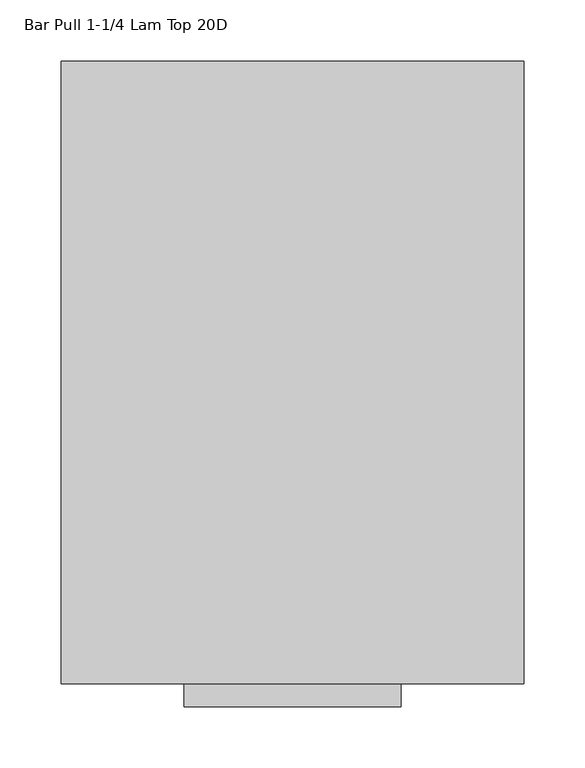
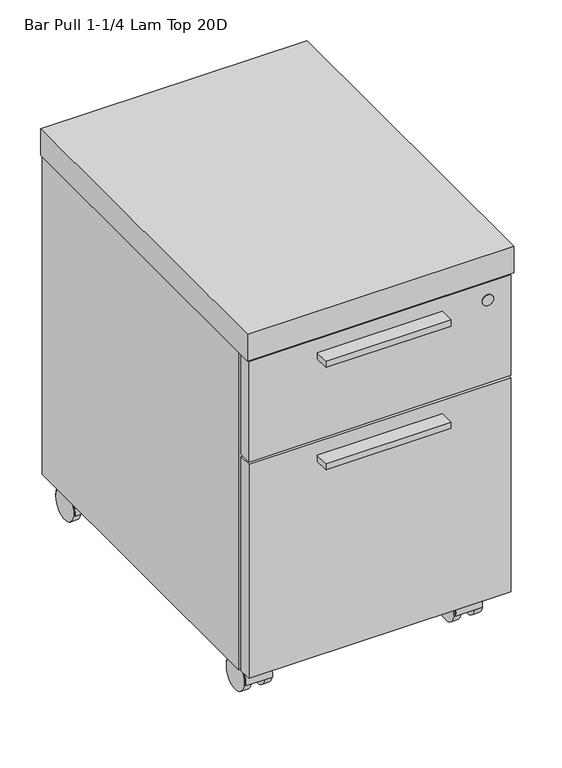
"""IFC4 building model written with IfcOpenShell, lengths in millimetres: furniture geometry, Bar Pull 1-1/4 Lam Top 20D."""

from ifc_helpers import new_model, si_unit, point, frame, frame_2d, origin, place, context, project, spatial, polyline, circle_curve, trimmed, segment, composite_curve, outline, extrude, source, transform, mapped, element, save
from ifc_brep_helpers import plane_surface, revolved_surface, advanced_brep


def bar_pull_1_1_4_lam_top_20d_5b42565c(model_context):
    return source(origin(), model_context, "Body", "SolidModel", [
        extrude(outline(composite_curve([segment(trimmed(circle_curve(frame_2d((38.552757, -443.2433984)), 2.8952236), [point((35.6575335, -443.2433984))], [point((41.4479806, -443.2433984))], False, "CARTESIAN"), True, "CONTINUOUS"), segment(trimmed(circle_curve(frame_2d((38.552757, -443.2433984)), 2.8952236), [point((41.4479806, -443.2433984))], [point((35.6575335, -443.2433984))], False, "CARTESIAN"), True, "CONTINUOUS")], self_intersect=False)), frame((0.0, 0.0, 47.4178766), z_axis=(0.0, 0.0, 1.0), x_axis=(1.0, 0.0, 0.0)), (0.0, 0.0, 1.0), 2.54),
        extrude(outline(composite_curve([segment(trimmed(circle_curve(frame_2d((38.552757, -443.5086607)), 7.4123574), [point((31.1403996, -443.5086607))], [point((45.9651144, -443.5086607))], False, "CARTESIAN"), True, "CONTINUOUS"), segment(trimmed(circle_curve(frame_2d((38.552757, -443.5086607)), 7.4123574), [point((45.9651144, -443.5086607))], [point((31.1403996, -443.5086607))], False, "CARTESIAN"), True, "CONTINUOUS")], self_intersect=False)), frame((0.0, 0.0, 49.9578766), z_axis=(0.0, 0.0, 1.0), x_axis=(1.0, 0.0, 0.0)), (0.0, 0.0, 1.0), 4.7226624),
        advanced_brep(
        [(30.3783996, -443.5086607, 54.680539), (46.7271144, -443.5086607, 54.680539), (25.852757, -443.5086607, 57.5818), (51.252757, -443.5086607, 57.5818)],
        [
            (0, 1, circle_curve(frame((38.552757, -443.5086607, 54.680539), z_axis=(0.0, 0.0, -1.0), x_axis=(-1.0, 0.0, 0.0)), 8.1743574)),
            (1, 0, circle_curve(frame((38.552757, -443.5086607, 54.680539), z_axis=(0.0, 0.0, -1.0), x_axis=(1.0, 0.0, 0.0)), 8.1743574)),
            (2, 3, circle_curve(frame((38.552757, -443.5086607, 57.5818), z_axis=(0.0, 0.0, 1.0), x_axis=(1.0, 0.0, 0.0)), 12.7)),
            (3, 2, circle_curve(frame((38.552757, -443.5086607, 57.5818), z_axis=(0.0, 0.0, 1.0), x_axis=(-1.0, 0.0, 0.0)), 12.7)),
            (2, 0),
            (1, 3),
        ],
        [
            plane_surface(frame((38.552757, -443.5086607, 54.680539), z_axis=(0.0, 0.0, -1.0), x_axis=(0.0, -1.0, 0.0))),
            plane_surface(frame((38.552757, -443.5086607, 57.5818), z_axis=(0.0, 0.0, 1.0), x_axis=(0.0, -1.0, 0.0))),
            revolved_surface(polyline([(46.72711441053413, -443.5086607, 54.680539), (51.252757, -443.5086607, 57.5818)]), (38.552757, -443.5086607, 49.4401905), (0.0, 0.0, 1.0)),
            revolved_surface(polyline([(30.378399589465875, -443.5086607, 54.680539), (25.852757, -443.5086607, 57.5818)]), (38.552757, -443.5086607, 49.4401905), (0.0, 0.0, 1.0)),
        ],
        [
            (0, [[1, 2]]),
            (1, [[3, 4]]),
            (2, [[-3, 5, -2, 6]]),
            (3, [[-4, -6, -1, -5]]),
        ],
    ),
        extrude(outline(composite_curve([segment(trimmed(circle_curve(frame_2d((38.552757, -443.2781099)), 6.0714648), [point((32.4812922, -443.2781099))], [point((44.6242219, -443.2781099))], False, "CARTESIAN"), True, "CONTINUOUS"), segment(trimmed(circle_curve(frame_2d((38.552757, -443.2781099)), 6.0714648), [point((44.6242219, -443.2781099))], [point((32.4812922, -443.2781099))], False, "CARTESIAN"), True, "CONTINUOUS")], self_intersect=False)), frame((0.0, 0.0, 31.6701308), z_axis=(0.0, 0.0, 1.0), x_axis=(1.0, 0.0, 0.0)), (0.0, 0.0, 1.0), 15.7477457),
        extrude(outline(composite_curve([segment(polyline([(-401.009387, 18.6856043), (-402.0037644, 18.6856043)]), True, "CONTINUOUS"), segment(trimmed(circle_curve(frame_2d((-424.6129713, 22.0624907)), 22.86), [point((-402.0037644, 18.6856043))], [point((-447.2221782, 18.6856043))], True, "CARTESIAN"), True, "CONTINUOUS"), segment(polyline([(-447.2221782, 18.6856043), (-448.2152732, 18.6856043)]), True, "CONTINUOUS"), segment(trimmed(circle_curve(frame_2d((-424.6123301, 22.0624907)), 23.8432859), [point((-448.2152732, 18.6856043))], [point((-401.009387, 18.6856043))], False, "CARTESIAN"), True, "CONTINUOUS")], self_intersect=False)), frame((19.558, 0.0, 0.0), z_axis=(1.0, 0.0, 0.0), x_axis=(0.0, 1.0, 0.0)), (0.0, 0.0, 1.0), 37.9984),
        extrude(outline(composite_curve([segment(trimmed(circle_curve(frame_2d((-424.6129713, 21.9964)), 21.9964), [point((-402.6165713, 21.9964))], [point((-446.6093713, 21.9964))], False, "CARTESIAN"), True, "CONTINUOUS"), segment(trimmed(circle_curve(frame_2d((-424.6129713, 21.9964)), 21.9964), [point((-446.6093713, 21.9964))], [point((-402.6165713, 21.9964))], False, "CARTESIAN"), True, "CONTINUOUS")], self_intersect=False)), frame((18.448657, 0.0, 0.0), z_axis=(1.0, 0.0, 0.0), x_axis=(0.0, 1.0, 0.0)), (0.0, 0.0, 1.0), 10.16),
        extrude(outline(composite_curve([segment(trimmed(circle_curve(frame_2d((-424.6129713, 21.9964)), 21.9964), [point((-402.6165713, 21.9964))], [point((-446.6093713, 21.9964))], False, "CARTESIAN"), True, "CONTINUOUS"), segment(trimmed(circle_curve(frame_2d((-424.6129713, 21.9964)), 21.9964), [point((-446.6093713, 21.9964))], [point((-402.6165713, 21.9964))], False, "CARTESIAN"), True, "CONTINUOUS")], self_intersect=False)), frame((48.496857, 0.0, 0.0), z_axis=(1.0, 0.0, 0.0), x_axis=(0.0, 1.0, 0.0)), (0.0, 0.0, 1.0), 10.16),
        extrude(outline(composite_curve([segment(trimmed(circle_curve(frame_2d((52.5526, -429.6167713)), 5.0038), [point((52.5526, -424.6129713))], [point((57.5564, -429.6167713))], False, "CARTESIAN"), True, "CONTINUOUS"), segment(polyline([(57.5564, -429.6167713), (57.5564, -457.6075713)]), True, "CONTINUOUS"), segment(trimmed(circle_curve(frame_2d((52.5526, -457.6075713)), 5.0038), [point((57.5564, -457.6075713))], [point((52.5526, -462.6113713))], False, "CARTESIAN"), True, "CONTINUOUS"), segment(polyline([(52.5526, -462.6113713), (24.5618, -462.6113713)]), True, "CONTINUOUS"), segment(trimmed(circle_curve(frame_2d((24.5618, -457.6075713)), 5.0038), [point((24.5618, -462.6113713))], [point((19.558, -457.6075713))], False, "CARTESIAN"), True, "CONTINUOUS"), segment(polyline([(19.558, -457.6075713), (19.558, -429.6167713)]), True, "CONTINUOUS"), segment(trimmed(circle_curve(frame_2d((24.5618, -429.6167713)), 5.0038), [point((19.558, -429.6167713))], [point((24.5618, -424.6129713))], False, "CARTESIAN"), True, "CONTINUOUS"), segment(polyline([(24.5618, -424.6129713), (52.5526, -424.6129713)]), True, "CONTINUOUS")], self_intersect=False)), frame((0.0, 0.0, 57.5818), z_axis=(0.0, 0.0, 1.0), x_axis=(1.0, 0.0, 0.0)), (0.0, 0.0, 1.0), 2.0066),
        extrude(outline(composite_curve([segment(trimmed(circle_curve(frame_2d((337.358357, -443.2433984)), 2.8952236), [point((334.4631335, -443.2433984))], [point((340.2535806, -443.2433984))], False, "CARTESIAN"), True, "CONTINUOUS"), segment(trimmed(circle_curve(frame_2d((337.358357, -443.2433984)), 2.8952236), [point((340.2535806, -443.2433984))], [point((334.4631335, -443.2433984))], False, "CARTESIAN"), True, "CONTINUOUS")], self_intersect=False)), frame((0.0, 0.0, 47.4178766), z_axis=(0.0, 0.0, 1.0), x_axis=(1.0, 0.0, 0.0)), (0.0, 0.0, 1.0), 2.54),
        extrude(outline(composite_curve([segment(trimmed(circle_curve(frame_2d((337.358357, -443.5086607)), 7.4123574), [point((329.9459996, -443.5086607))], [point((344.7707144, -443.5086607))], False, "CARTESIAN"), True, "CONTINUOUS"), segment(trimmed(circle_curve(frame_2d((337.358357, -443.5086607)), 7.4123574), [point((344.7707144, -443.5086607))], [point((329.9459996, -443.5086607))], False, "CARTESIAN"), True, "CONTINUOUS")], self_intersect=False)), frame((0.0, 0.0, 49.9578766), z_axis=(0.0, 0.0, 1.0), x_axis=(1.0, 0.0, 0.0)), (0.0, 0.0, 1.0), 4.7226624),
        advanced_brep(
        [(329.1839996, -443.5086607, 54.680539), (345.5327144, -443.5086607, 54.680539), (324.658357, -443.5086607, 57.5818), (350.058357, -443.5086607, 57.5818)],
        [
            (0, 1, circle_curve(frame((337.358357, -443.5086607, 54.680539), z_axis=(0.0, 0.0, -1.0), x_axis=(-1.0, 0.0, 0.0)), 8.1743574)),
            (1, 0, circle_curve(frame((337.358357, -443.5086607, 54.680539), z_axis=(0.0, 0.0, -1.0), x_axis=(1.0, 0.0, 0.0)), 8.1743574)),
            (2, 3, circle_curve(frame((337.358357, -443.5086607, 57.5818), z_axis=(0.0, 0.0, 1.0), x_axis=(1.0, 0.0, 0.0)), 12.7)),
            (3, 2, circle_curve(frame((337.358357, -443.5086607, 57.5818), z_axis=(0.0, 0.0, 1.0), x_axis=(-1.0, 0.0, 0.0)), 12.7)),
            (2, 0),
            (1, 3),
        ],
        [
            plane_surface(frame((337.358357, -443.5086607, 54.680539), z_axis=(0.0, 0.0, -1.0), x_axis=(0.0, -1.0, 0.0))),
            plane_surface(frame((337.358357, -443.5086607, 57.5818), z_axis=(0.0, 0.0, 1.0), x_axis=(0.0, -1.0, 0.0))),
            revolved_surface(polyline([(345.53271441053414, -443.5086607, 54.680539), (350.058357, -443.5086607, 57.5818)]), (337.358357, -443.5086607, 49.4401905), (0.0, 0.0, 1.0)),
            revolved_surface(polyline([(329.1839995894659, -443.5086607, 54.680539), (324.658357, -443.5086607, 57.5818)]), (337.358357, -443.5086607, 49.4401905), (0.0, 0.0, 1.0)),
        ],
        [
            (0, [[1, 2]]),
            (1, [[3, 4]]),
            (2, [[-3, 5, -2, 6]]),
            (3, [[-4, -6, -1, -5]]),
        ],
    ),
        extrude(outline(composite_curve([segment(trimmed(circle_curve(frame_2d((337.358357, -443.2781099)), 6.0714648), [point((331.2868922, -443.2781099))], [point((343.4298219, -443.2781099))], False, "CARTESIAN"), True, "CONTINUOUS"), segment(trimmed(circle_curve(frame_2d((337.358357, -443.2781099)), 6.0714648), [point((343.4298219, -443.2781099))], [point((331.2868922, -443.2781099))], False, "CARTESIAN"), True, "CONTINUOUS")], self_intersect=False)), frame((0.0, 0.0, 31.6701308), z_axis=(0.0, 0.0, 1.0), x_axis=(1.0, 0.0, 0.0)), (0.0, 0.0, 1.0), 15.7477457),
        extrude(outline(composite_curve([segment(polyline([(-401.009387, 18.6856043), (-402.0037644, 18.6856043)]), True, "CONTINUOUS"), segment(trimmed(circle_curve(frame_2d((-424.6129713, 22.0624907)), 22.86), [point((-402.0037644, 18.6856043))], [point((-447.2221782, 18.6856043))], True, "CARTESIAN"), True, "CONTINUOUS"), segment(polyline([(-447.2221782, 18.6856043), (-448.2152732, 18.6856043)]), True, "CONTINUOUS"), segment(trimmed(circle_curve(frame_2d((-424.6123301, 22.0624907)), 23.8432859), [point((-448.2152732, 18.6856043))], [point((-401.009387, 18.6856043))], False, "CARTESIAN"), True, "CONTINUOUS")], self_intersect=False)), frame((318.3636, 0.0, 0.0), z_axis=(1.0, 0.0, 0.0), x_axis=(0.0, 1.0, 0.0)), (0.0, 0.0, 1.0), 37.9984),
        extrude(outline(composite_curve([segment(trimmed(circle_curve(frame_2d((-424.6129713, 21.9964)), 21.9964), [point((-402.6165713, 21.9964))], [point((-446.6093713, 21.9964))], False, "CARTESIAN"), True, "CONTINUOUS"), segment(trimmed(circle_curve(frame_2d((-424.6129713, 21.9964)), 21.9964), [point((-446.6093713, 21.9964))], [point((-402.6165713, 21.9964))], False, "CARTESIAN"), True, "CONTINUOUS")], self_intersect=False)), frame((317.254257, 0.0, 0.0), z_axis=(1.0, 0.0, 0.0), x_axis=(0.0, 1.0, 0.0)), (0.0, 0.0, 1.0), 10.16),
        extrude(outline(composite_curve([segment(trimmed(circle_curve(frame_2d((-424.6129713, 21.9964)), 21.9964), [point((-402.6165713, 21.9964))], [point((-446.6093713, 21.9964))], False, "CARTESIAN"), True, "CONTINUOUS"), segment(trimmed(circle_curve(frame_2d((-424.6129713, 21.9964)), 21.9964), [point((-446.6093713, 21.9964))], [point((-402.6165713, 21.9964))], False, "CARTESIAN"), True, "CONTINUOUS")], self_intersect=False)), frame((347.302457, 0.0, 0.0), z_axis=(1.0, 0.0, 0.0), x_axis=(0.0, 1.0, 0.0)), (0.0, 0.0, 1.0), 10.16),
        extrude(outline(composite_curve([segment(trimmed(circle_curve(frame_2d((351.3582, -429.6167713)), 5.0038), [point((351.3582, -424.6129713))], [point((356.362, -429.6167713))], False, "CARTESIAN"), True, "CONTINUOUS"), segment(polyline([(356.362, -429.6167713), (356.362, -457.6075713)]), True, "CONTINUOUS"), segment(trimmed(circle_curve(frame_2d((351.3582, -457.6075713)), 5.0038), [point((356.362, -457.6075713))], [point((351.3582, -462.6113713))], False, "CARTESIAN"), True, "CONTINUOUS"), segment(polyline([(351.3582, -462.6113713), (323.3674, -462.6113713)]), True, "CONTINUOUS"), segment(trimmed(circle_curve(frame_2d((323.3674, -457.6075713)), 5.0038), [point((323.3674, -462.6113713))], [point((318.3636, -457.6075713))], False, "CARTESIAN"), True, "CONTINUOUS"), segment(polyline([(318.3636, -457.6075713), (318.3636, -429.6167713)]), True, "CONTINUOUS"), segment(trimmed(circle_curve(frame_2d((323.3674, -429.6167713)), 5.0038), [point((318.3636, -429.6167713))], [point((323.3674, -424.6129713))], False, "CARTESIAN"), True, "CONTINUOUS"), segment(polyline([(323.3674, -424.6129713), (351.3582, -424.6129713)]), True, "CONTINUOUS")], self_intersect=False)), frame((0.0, 0.0, 57.5818), z_axis=(0.0, 0.0, 1.0), x_axis=(1.0, 0.0, 0.0)), (0.0, 0.0, 1.0), 2.0066),
        extrude(outline(composite_curve([segment(trimmed(circle_curve(frame_2d((337.358357, -23.0257984)), 2.8952236), [point((334.4631335, -23.0257984))], [point((340.2535806, -23.0257984))], False, "CARTESIAN"), True, "CONTINUOUS"), segment(trimmed(circle_curve(frame_2d((337.358357, -23.0257984)), 2.8952236), [point((340.2535806, -23.0257984))], [point((334.4631335, -23.0257984))], False, "CARTESIAN"), True, "CONTINUOUS")], self_intersect=False)), frame((0.0, 0.0, 47.4178766), z_axis=(0.0, 0.0, 1.0), x_axis=(1.0, 0.0, 0.0)), (0.0, 0.0, 1.0), 2.54),
        extrude(outline(composite_curve([segment(trimmed(circle_curve(frame_2d((337.358357, -23.2910607)), 7.4123574), [point((329.9459996, -23.2910607))], [point((344.7707144, -23.2910607))], False, "CARTESIAN"), True, "CONTINUOUS"), segment(trimmed(circle_curve(frame_2d((337.358357, -23.2910607)), 7.4123574), [point((344.7707144, -23.2910607))], [point((329.9459996, -23.2910607))], False, "CARTESIAN"), True, "CONTINUOUS")], self_intersect=False)), frame((0.0, 0.0, 49.9578766), z_axis=(0.0, 0.0, 1.0), x_axis=(1.0, 0.0, 0.0)), (0.0, 0.0, 1.0), 4.7226624),
        advanced_brep(
        [(329.1839996, -23.2910607, 54.680539), (345.5327144, -23.2910607, 54.680539), (324.658357, -23.2910607, 57.5818), (350.058357, -23.2910607, 57.5818)],
        [
            (0, 1, circle_curve(frame((337.358357, -23.2910607, 54.680539), z_axis=(0.0, 0.0, -1.0), x_axis=(-1.0, 0.0, 0.0)), 8.1743574)),
            (1, 0, circle_curve(frame((337.358357, -23.2910607, 54.680539), z_axis=(0.0, 0.0, -1.0), x_axis=(1.0, 0.0, 0.0)), 8.1743574)),
            (2, 3, circle_curve(frame((337.358357, -23.2910607, 57.5818), z_axis=(0.0, 0.0, 1.0), x_axis=(1.0, 0.0, 0.0)), 12.7)),
            (3, 2, circle_curve(frame((337.358357, -23.2910607, 57.5818), z_axis=(0.0, 0.0, 1.0), x_axis=(-1.0, 0.0, 0.0)), 12.7)),
            (2, 0),
            (1, 3),
        ],
        [
            plane_surface(frame((337.358357, -23.2910607, 54.680539), z_axis=(0.0, 0.0, -1.0), x_axis=(0.0, -1.0, 0.0))),
            plane_surface(frame((337.358357, -23.2910607, 57.5818), z_axis=(0.0, 0.0, 1.0), x_axis=(0.0, -1.0, 0.0))),
            revolved_surface(polyline([(345.53271441053414, -23.2910607, 54.680539), (350.058357, -23.2910607, 57.5818)]), (337.358357, -23.2910607, 49.4401905), (0.0, 0.0, 1.0)),
            revolved_surface(polyline([(329.1839995894659, -23.2910607, 54.680539), (324.658357, -23.2910607, 57.5818)]), (337.358357, -23.2910607, 49.4401905), (0.0, 0.0, 1.0)),
        ],
        [
            (0, [[1, 2]]),
            (1, [[3, 4]]),
            (2, [[-3, 5, -2, 6]]),
            (3, [[-4, -6, -1, -5]]),
        ],
    ),
        extrude(outline(composite_curve([segment(trimmed(circle_curve(frame_2d((337.358357, -23.0605099)), 6.0714648), [point((331.2868922, -23.0605099))], [point((343.4298219, -23.0605099))], False, "CARTESIAN"), True, "CONTINUOUS"), segment(trimmed(circle_curve(frame_2d((337.358357, -23.0605099)), 6.0714648), [point((343.4298219, -23.0605099))], [point((331.2868922, -23.0605099))], False, "CARTESIAN"), True, "CONTINUOUS")], self_intersect=False)), frame((0.0, 0.0, 31.6701308), z_axis=(0.0, 0.0, 1.0), x_axis=(1.0, 0.0, 0.0)), (0.0, 0.0, 1.0), 15.7477457),
        extrude(outline(composite_curve([segment(polyline([(19.208213, 18.6856043), (18.2138356, 18.6856043)]), True, "CONTINUOUS"), segment(trimmed(circle_curve(frame_2d((-4.3953713, 22.0624907)), 22.86), [point((18.2138356, 18.6856043))], [point((-27.0045782, 18.6856043))], True, "CARTESIAN"), True, "CONTINUOUS"), segment(polyline([(-27.0045782, 18.6856043), (-27.9976732, 18.6856043)]), True, "CONTINUOUS"), segment(trimmed(circle_curve(frame_2d((-4.3947301, 22.0624907)), 23.8432859), [point((-27.9976732, 18.6856043))], [point((19.208213, 18.6856043))], False, "CARTESIAN"), True, "CONTINUOUS")], self_intersect=False)), frame((318.3636, 0.0, 0.0), z_axis=(1.0, 0.0, 0.0), x_axis=(0.0, 1.0, 0.0)), (0.0, 0.0, 1.0), 37.9984),
        extrude(outline(composite_curve([segment(trimmed(circle_curve(frame_2d((-4.3953713, 21.9964)), 21.9964), [point((17.6010287, 21.9964))], [point((-26.3917713, 21.9964))], False, "CARTESIAN"), True, "CONTINUOUS"), segment(trimmed(circle_curve(frame_2d((-4.3953713, 21.9964)), 21.9964), [point((-26.3917713, 21.9964))], [point((17.6010287, 21.9964))], False, "CARTESIAN"), True, "CONTINUOUS")], self_intersect=False)), frame((317.254257, 0.0, 0.0), z_axis=(1.0, 0.0, 0.0), x_axis=(0.0, 1.0, 0.0)), (0.0, 0.0, 1.0), 10.16),
        extrude(outline(composite_curve([segment(trimmed(circle_curve(frame_2d((-4.3953713, 21.9964)), 21.9964), [point((17.6010287, 21.9964))], [point((-26.3917713, 21.9964))], False, "CARTESIAN"), True, "CONTINUOUS"), segment(trimmed(circle_curve(frame_2d((-4.3953713, 21.9964)), 21.9964), [point((-26.3917713, 21.9964))], [point((17.6010287, 21.9964))], False, "CARTESIAN"), True, "CONTINUOUS")], self_intersect=False)), frame((347.302457, 0.0, 0.0), z_axis=(1.0, 0.0, 0.0), x_axis=(0.0, 1.0, 0.0)), (0.0, 0.0, 1.0), 10.16),
        extrude(outline(composite_curve([segment(trimmed(circle_curve(frame_2d((351.3582, -9.3991713)), 5.0038), [point((351.3582, -4.3953713))], [point((356.362, -9.3991713))], False, "CARTESIAN"), True, "CONTINUOUS"), segment(polyline([(356.362, -9.3991713), (356.362, -37.3899713)]), True, "CONTINUOUS"), segment(trimmed(circle_curve(frame_2d((351.3582, -37.3899713)), 5.0038), [point((356.362, -37.3899713))], [point((351.3582, -42.3937713))], False, "CARTESIAN"), True, "CONTINUOUS"), segment(polyline([(351.3582, -42.3937713), (323.3674, -42.3937713)]), True, "CONTINUOUS"), segment(trimmed(circle_curve(frame_2d((323.3674, -37.3899713)), 5.0038), [point((323.3674, -42.3937713))], [point((318.3636, -37.3899713))], False, "CARTESIAN"), True, "CONTINUOUS"), segment(polyline([(318.3636, -37.3899713), (318.3636, -9.3991713)]), True, "CONTINUOUS"), segment(trimmed(circle_curve(frame_2d((323.3674, -9.3991713)), 5.0038), [point((318.3636, -9.3991713))], [point((323.3674, -4.3953713))], False, "CARTESIAN"), True, "CONTINUOUS"), segment(polyline([(323.3674, -4.3953713), (351.3582, -4.3953713)]), True, "CONTINUOUS")], self_intersect=False)), frame((0.0, 0.0, 57.5818), z_axis=(0.0, 0.0, 1.0), x_axis=(1.0, 0.0, 0.0)), (0.0, 0.0, 1.0), 2.0066),
        extrude(outline(composite_curve([segment(trimmed(circle_curve(frame_2d((38.552757, -23.0257984)), 2.8952236), [point((35.6575335, -23.0257984))], [point((41.4479806, -23.0257984))], False, "CARTESIAN"), True, "CONTINUOUS"), segment(trimmed(circle_curve(frame_2d((38.552757, -23.0257984)), 2.8952236), [point((41.4479806, -23.0257984))], [point((35.6575335, -23.0257984))], False, "CARTESIAN"), True, "CONTINUOUS")], self_intersect=False)), frame((0.0, 0.0, 47.4178766), z_axis=(0.0, 0.0, 1.0), x_axis=(1.0, 0.0, 0.0)), (0.0, 0.0, 1.0), 2.54),
        extrude(outline(composite_curve([segment(trimmed(circle_curve(frame_2d((38.552757, -23.2910607)), 7.4123574), [point((31.1403996, -23.2910607))], [point((45.9651144, -23.2910607))], False, "CARTESIAN"), True, "CONTINUOUS"), segment(trimmed(circle_curve(frame_2d((38.552757, -23.2910607)), 7.4123574), [point((45.9651144, -23.2910607))], [point((31.1403996, -23.2910607))], False, "CARTESIAN"), True, "CONTINUOUS")], self_intersect=False)), frame((0.0, 0.0, 49.9578766), z_axis=(0.0, 0.0, 1.0), x_axis=(1.0, 0.0, 0.0)), (0.0, 0.0, 1.0), 4.7226624),
        advanced_brep(
        [(30.3783996, -23.2910607, 54.680539), (46.7271144, -23.2910607, 54.680539), (25.852757, -23.2910607, 57.5818), (51.252757, -23.2910607, 57.5818)],
        [
            (0, 1, circle_curve(frame((38.552757, -23.2910607, 54.680539), z_axis=(0.0, 0.0, -1.0), x_axis=(-1.0, 0.0, 0.0)), 8.1743574)),
            (1, 0, circle_curve(frame((38.552757, -23.2910607, 54.680539), z_axis=(0.0, 0.0, -1.0), x_axis=(1.0, 0.0, 0.0)), 8.1743574)),
            (2, 3, circle_curve(frame((38.552757, -23.2910607, 57.5818), z_axis=(0.0, 0.0, 1.0), x_axis=(1.0, 0.0, 0.0)), 12.7)),
            (3, 2, circle_curve(frame((38.552757, -23.2910607, 57.5818), z_axis=(0.0, 0.0, 1.0), x_axis=(-1.0, 0.0, 0.0)), 12.7)),
            (2, 0),
            (1, 3),
        ],
        [
            plane_surface(frame((38.552757, -23.2910607, 54.680539), z_axis=(0.0, 0.0, -1.0), x_axis=(0.0, -1.0, 0.0))),
            plane_surface(frame((38.552757, -23.2910607, 57.5818), z_axis=(0.0, 0.0, 1.0), x_axis=(0.0, -1.0, 0.0))),
            revolved_surface(polyline([(46.72711441053413, -23.2910607, 54.680539), (51.252757, -23.2910607, 57.5818)]), (38.552757, -23.2910607, 49.4401905), (0.0, 0.0, 1.0)),
            revolved_surface(polyline([(30.378399589465875, -23.2910607, 54.680539), (25.852757, -23.2910607, 57.5818)]), (38.552757, -23.2910607, 49.4401905), (0.0, 0.0, 1.0)),
        ],
        [
            (0, [[1, 2]]),
            (1, [[3, 4]]),
            (2, [[-3, 5, -2, 6]]),
            (3, [[-4, -6, -1, -5]]),
        ],
    ),
        extrude(outline(composite_curve([segment(trimmed(circle_curve(frame_2d((38.552757, -23.0605099)), 6.0714648), [point((32.4812922, -23.0605099))], [point((44.6242219, -23.0605099))], False, "CARTESIAN"), True, "CONTINUOUS"), segment(trimmed(circle_curve(frame_2d((38.552757, -23.0605099)), 6.0714648), [point((44.6242219, -23.0605099))], [point((32.4812922, -23.0605099))], False, "CARTESIAN"), True, "CONTINUOUS")], self_intersect=False)), frame((0.0, 0.0, 31.6701308), z_axis=(0.0, 0.0, 1.0), x_axis=(1.0, 0.0, 0.0)), (0.0, 0.0, 1.0), 15.7477457),
        extrude(outline(composite_curve([segment(polyline([(19.208213, 18.6856043), (18.2138356, 18.6856043)]), True, "CONTINUOUS"), segment(trimmed(circle_curve(frame_2d((-4.3953713, 22.0624907)), 22.86), [point((18.2138356, 18.6856043))], [point((-27.0045782, 18.6856043))], True, "CARTESIAN"), True, "CONTINUOUS"), segment(polyline([(-27.0045782, 18.6856043), (-27.9976732, 18.6856043)]), True, "CONTINUOUS"), segment(trimmed(circle_curve(frame_2d((-4.3947301, 22.0624907)), 23.8432859), [point((-27.9976732, 18.6856043))], [point((19.208213, 18.6856043))], False, "CARTESIAN"), True, "CONTINUOUS")], self_intersect=False)), frame((19.558, 0.0, 0.0), z_axis=(1.0, 0.0, 0.0), x_axis=(0.0, 1.0, 0.0)), (0.0, 0.0, 1.0), 37.9984),
        extrude(outline(composite_curve([segment(trimmed(circle_curve(frame_2d((-4.3953713, 21.9964)), 21.9964), [point((17.6010287, 21.9964))], [point((-26.3917713, 21.9964))], False, "CARTESIAN"), True, "CONTINUOUS"), segment(trimmed(circle_curve(frame_2d((-4.3953713, 21.9964)), 21.9964), [point((-26.3917713, 21.9964))], [point((17.6010287, 21.9964))], False, "CARTESIAN"), True, "CONTINUOUS")], self_intersect=False)), frame((18.448657, 0.0, 0.0), z_axis=(1.0, 0.0, 0.0), x_axis=(0.0, 1.0, 0.0)), (0.0, 0.0, 1.0), 10.16),
        extrude(outline(composite_curve([segment(trimmed(circle_curve(frame_2d((-4.3953713, 21.9964)), 21.9964), [point((17.6010287, 21.9964))], [point((-26.3917713, 21.9964))], False, "CARTESIAN"), True, "CONTINUOUS"), segment(trimmed(circle_curve(frame_2d((-4.3953713, 21.9964)), 21.9964), [point((-26.3917713, 21.9964))], [point((17.6010287, 21.9964))], False, "CARTESIAN"), True, "CONTINUOUS")], self_intersect=False)), frame((48.496857, 0.0, 0.0), z_axis=(1.0, 0.0, 0.0), x_axis=(0.0, 1.0, 0.0)), (0.0, 0.0, 1.0), 10.16),
        extrude(outline(composite_curve([segment(trimmed(circle_curve(frame_2d((52.5526, -9.3991713)), 5.0038), [point((52.5526, -4.3953713))], [point((57.5564, -9.3991713))], False, "CARTESIAN"), True, "CONTINUOUS"), segment(polyline([(57.5564, -9.3991713), (57.5564, -37.3899713)]), True, "CONTINUOUS"), segment(trimmed(circle_curve(frame_2d((52.5526, -37.3899713)), 5.0038), [point((57.5564, -37.3899713))], [point((52.5526, -42.3937713))], False, "CARTESIAN"), True, "CONTINUOUS"), segment(polyline([(52.5526, -42.3937713), (24.5618, -42.3937713)]), True, "CONTINUOUS"), segment(trimmed(circle_curve(frame_2d((24.5618, -37.3899713)), 5.0038), [point((24.5618, -42.3937713))], [point((19.558, -37.3899713))], False, "CARTESIAN"), True, "CONTINUOUS"), segment(polyline([(19.558, -37.3899713), (19.558, -9.3991713)]), True, "CONTINUOUS"), segment(trimmed(circle_curve(frame_2d((24.5618, -9.3991713)), 5.0038), [point((19.558, -9.3991713))], [point((24.5618, -4.3953713))], False, "CARTESIAN"), True, "CONTINUOUS"), segment(polyline([(24.5618, -4.3953713), (52.5526, -4.3953713)]), True, "CONTINUOUS")], self_intersect=False)), frame((0.0, 0.0, 57.5818), z_axis=(0.0, 0.0, 1.0), x_axis=(1.0, 0.0, 0.0)), (0.0, 0.0, 1.0), 2.0066),
        extrude(outline(polyline([(276.8600024, -485.8523708), (276.8600024, -508.0773577), (99.0599994, -508.0773577), (99.0599994, -485.8523708), (276.8600024, -485.8523708)])), frame((0.0, 0.0, 351.8916144), z_axis=(0.0, 0.0, 1.0), x_axis=(1.0, 0.0, 0.0)), (0.0, 0.0, 1.0), 9.525),
        extrude(outline(polyline([(276.8600024, -485.8523708), (276.8600024, -508.0773577), (99.0599994, -508.0773577), (99.0599994, -485.8523708), (276.8600024, -485.8523708)])), frame((0.0, 0.0, 505.8791144), z_axis=(0.0, 0.0, 1.0), x_axis=(1.0, 0.0, 0.0)), (0.0, 0.0, 1.0), 9.525),
        extrude(outline(polyline([(374.3325, -468.1993713), (374.3325, -487.5033713), (1.5875, -487.5033713), (1.5875, -468.1993713), (374.3325, -468.1993713)])), frame((0.0, 0.0, 60.0202), z_axis=(0.0, 0.0, 1.0), x_axis=(1.0, 0.0, 0.0)), (0.0, 0.0, 1.0), 321.818),
        extrude(outline(polyline([(374.3325, -487.5033713), (1.5875, -487.5033713), (1.5875, -468.1993713), (374.3325, -468.1993713), (374.3325, -487.5033713)])), frame((0.0, 0.0, 385.0132), z_axis=(0.0, 0.0, 1.0), x_axis=(1.0, 0.0, 0.0)), (0.0, 0.0, 1.0), 151.0284),
        extrude(outline(polyline([(377.5075, 20.5601287), (377.5075, -489.0908713), (-1.5875, -489.0908713), (-1.5875, 20.5601287), (377.5075, 20.5601287)])), frame((0.0, 0.0, 539.2166), z_axis=(0.0, 0.0, 1.0), x_axis=(1.0, 0.0, 0.0)), (0.0, 0.0, 1.0), 40.0050144),
        extrude(outline(polyline([(356.616, -1.9950713), (356.616, -445.7203713), (19.304, -445.7203713), (19.304, -1.9950713), (356.616, -1.9950713)])), frame((0.0, 0.0, 60.0202), z_axis=(0.0, 0.0, 1.0), x_axis=(1.0, 0.0, 0.0)), (0.0, 0.0, 1.0), 479.1964),
        extrude(outline(polyline([(356.616, 17.3089287), (356.616, -1.9950713), (19.304, -1.9950713), (19.304, 17.3089287), (356.616, 17.3089287)])), frame((0.0, 0.0, 60.2742), z_axis=(0.0, 0.0, 1.0), x_axis=(1.0, 0.0, 0.0)), (0.0, 0.0, 1.0), 478.9424),
        extrude(outline(composite_curve([segment(trimmed(circle_curve(frame_2d((510.6416, 340.995)), 8.001), [point((510.6416, 332.994))], [point((510.6416, 348.996))], False, "CARTESIAN"), True, "CONTINUOUS"), segment(trimmed(circle_curve(frame_2d((510.6416, 340.995)), 8.001), [point((510.6416, 348.996))], [point((510.6416, 332.994))], False, "CARTESIAN"), True, "CONTINUOUS")], self_intersect=False)), frame((0.0, -489.0908713, 0.0), z_axis=(0.0, 1.0, 0.0), x_axis=(0.0, 0.0, 1.0)), (0.0, 0.0, 1.0), 1.5875),
        extrude(outline(polyline([(356.616, -445.7203713), (356.616, -465.0243713), (19.304, -465.0243713), (19.304, -445.7203713), (356.616, -445.7203713)])), frame((0.0, 0.0, 60.2742), z_axis=(0.0, 0.0, 1.0), x_axis=(1.0, 0.0, 0.0)), (0.0, 0.0, 1.0), 478.9424),
        extrude(outline(polyline([(19.304, 18.9726287), (19.304, -465.0243713), (0.0, -465.0243713), (0.0, 18.9726287), (19.304, 18.9726287)])), frame((0.0, 0.0, 60.2742), z_axis=(0.0, 0.0, 1.0), x_axis=(1.0, 0.0, 0.0)), (0.0, 0.0, 1.0), 478.9424),
        extrude(outline(polyline([(375.92, 18.9726287), (375.92, -465.0243713), (356.616, -465.0243713), (356.616, 18.9726287), (375.92, 18.9726287)])), frame((0.0, 0.0, 60.2742), z_axis=(0.0, 0.0, 1.0), x_axis=(1.0, 0.0, 0.0)), (0.0, 0.0, 1.0), 478.9424),
    ])


if __name__ == "__main__":
    model = new_model("IFC4")
    model_context = context("Model", 3, world=origin())
    ifc_project = project(units=[si_unit("LENGTHUNIT", "METRE", prefix="MILLI")], contexts=[model_context])
    site = spatial("IfcSite", under=ifc_project)
    building = spatial("IfcBuilding", under=site)
    placement = place(None, origin())
    bar_pull_1_1_4_lam_top_20d_shape = bar_pull_1_1_4_lam_top_20d_5b42565c(model_context)
    element("IfcFurniture", 1, ObjectType="Bar Pull 1-1/4 Lam Top 20D", at=placement, inside=building, context=model_context, shape_type="MappedRepresentation", body=[
        mapped(bar_pull_1_1_4_lam_top_20d_shape, transform((0.0, 0.0, 0.0), x_axis=(1.0, 0.0, 0.0), y_axis=(0.0, 1.0, 0.0), z_axis=(0.0, 0.0, 1.0))),
    ])
    save(model, "model.ifc")
